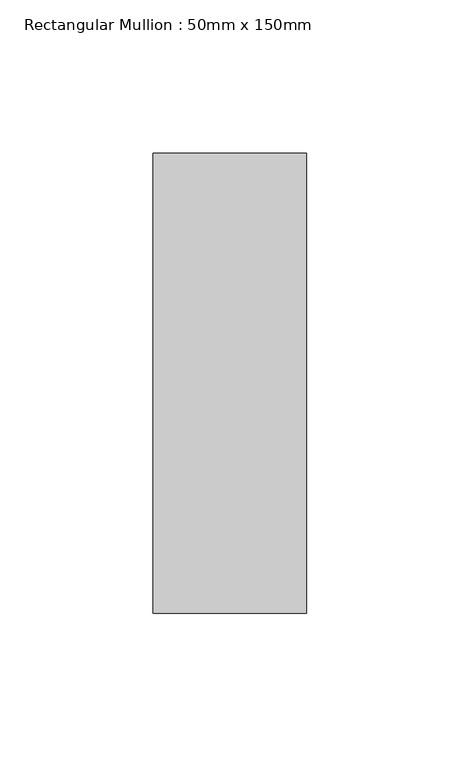
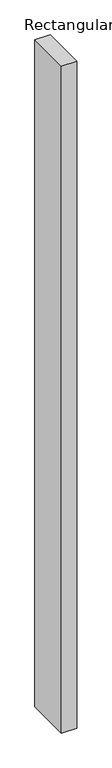
"""IFC4 building model written with IfcOpenShell, lengths in millimetres: member geometry, Rectangular Mullion : 50mm x 150mm."""

from ifc_helpers import new_model, si_unit, frame, origin, place, context, project, spatial, polyline, outline, extrude, source, transform, mapped, element, save


def rectangular_mullion_50mm_x_150mm_3f0e0b21(model_context):
    return source(origin(), model_context, "Body", "SweptSolid", [
        extrude(outline(polyline([(25.0, 75.0), (25.0, -75.0), (-25.0, -75.0), (-25.0, 75.0), (25.0, 75.0)])), frame((0.0, 0.0, -2300.2005243), z_axis=(0.0, 0.0, 1.0), x_axis=(1.0, 0.0, 0.0)), (0.0, 0.0, 1.0), 2300.2005243),
    ])


if __name__ == "__main__":
    model = new_model("IFC4")
    model_context = context("Model", 3, world=origin())
    ifc_project = project(units=[si_unit("LENGTHUNIT", "METRE", prefix="MILLI")], contexts=[model_context])
    site = spatial("IfcSite", under=ifc_project)
    building = spatial("IfcBuilding", under=site)
    placement = place(None, origin())
    rectangular_mullion_50mm_x_150mm_shape = rectangular_mullion_50mm_x_150mm_3f0e0b21(model_context)
    element("IfcMember", 1, ObjectType="Rectangular Mullion : 50mm x 150mm", at=placement, inside=building, context=model_context, shape_type="MappedRepresentation", body=[
        mapped(rectangular_mullion_50mm_x_150mm_shape, transform((0.0, 0.0, 0.0), x_axis=(1.0, 0.0, 0.0), y_axis=(0.0, 1.0, 0.0), z_axis=(0.0, 0.0, 1.0))),
    ])
    save(model, "model.ifc")
